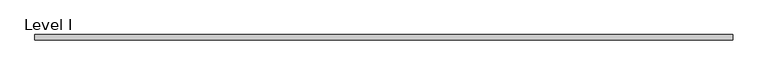
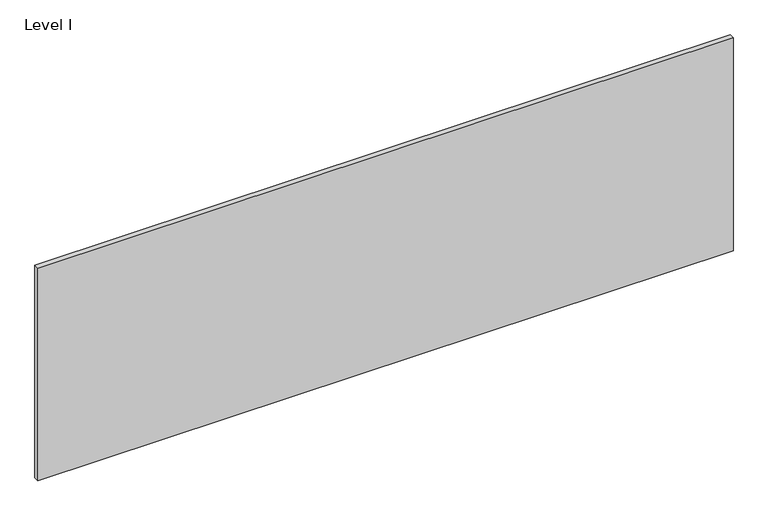
"""IFC4 building model written with IfcOpenShell, lengths in millimetres: proxy geometry, Level I."""

from ifc_helpers import new_model, si_unit, frame, origin, place, context, project, spatial, polyline, outline, extrude, source, transform, mapped, element, save


def level_i_0fad34de(model_context):
    return source(origin(), model_context, "Body", "SweptSolid", [
        extrude(outline(polyline([(1252.8407125, -9.525), (-1252.8407125, -9.525), (-1252.8407125, 9.525), (1252.8407125, 9.525), (1252.8407125, -9.525)])), frame((0.0, 0.0, 3.175), z_axis=(0.0, 0.0, 1.0), x_axis=(1.0, 0.0, 0.0)), (0.0, 0.0, 1.0), 810.768),
    ])


if __name__ == "__main__":
    model = new_model("IFC4")
    model_context = context("Model", 3, world=origin())
    ifc_project = project(units=[si_unit("LENGTHUNIT", "METRE", prefix="MILLI")], contexts=[model_context])
    site = spatial("IfcSite", under=ifc_project)
    building = spatial("IfcBuilding", under=site)
    placement = place(None, origin())
    level_i_shape = level_i_0fad34de(model_context)
    element("IfcBuildingElementProxy", 1, Name="Level I", ObjectType="Level I", at=placement, inside=building, context=model_context, shape_type="MappedRepresentation", body=[
        mapped(level_i_shape, transform((0.0, 0.0, 0.0), x_axis=(1.0, 0.0, 0.0), y_axis=(0.0, 1.0, 0.0), z_axis=(0.0, 0.0, 1.0))),
    ])
    save(model, "model.ifc")
